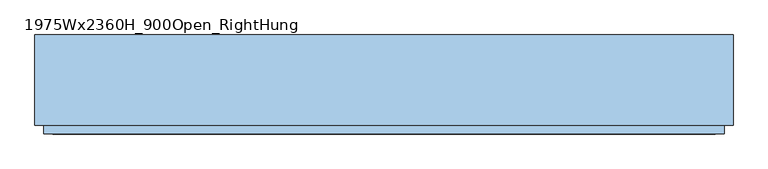
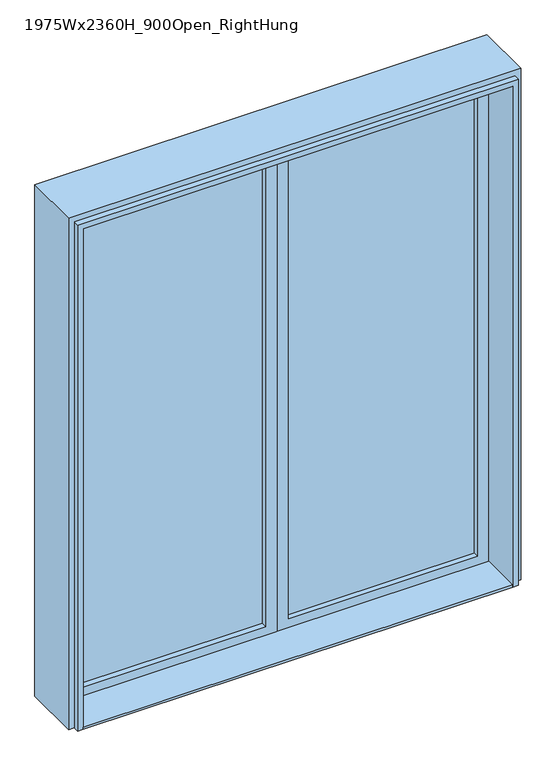
"""IFC4 building model written with IfcOpenShell, lengths in millimetres: window geometry, 1975Wx2360H_900Open_RightHung."""

from ifc_helpers import new_model, si_unit, frame, origin, origin_with_axes, place, context, project, spatial, polyline, outline, extrude, faceted_brep, source, transform, mapped, element, save


def window_1975wx2360h_900open_righthung_e9a4831a(model_context):
    return source(origin(), model_context, "Body", "SolidModel", [
        extrude(outline(polyline([(887.5, -67.0), (62.5, -67.0), (62.5, -49.0), (887.5, -49.0), (887.5, -67.0)])), frame((0.0, 0.0, 50.0), z_axis=(0.0, 0.0, 1.0), x_axis=(1.0, 0.0, 0.0)), (0.0, 0.0, 1.0), 2210.0),
        extrude(outline(polyline([(-37.5, -67.0), (-837.5, -67.0), (-837.5, -49.0), (-37.5, -49.0), (-37.5, -67.0)])), frame((0.0, 0.0, 50.0), z_axis=(0.0, 0.0, 1.0), x_axis=(1.0, 0.0, 0.0)), (0.0, 0.0, 1.0), 2160.0),
        extrude(outline(polyline([(2260.0, 12.5), (2260.0, -887.5), (0.0, -887.5), (0.0, 12.5), (2260.0, 12.5)]), holes=[polyline([(2210.0, -37.5), (50.0, -37.5), (50.0, -837.5), (2210.0, -837.5), (2210.0, -37.5)])]), frame((0.0, -92.0, 0.0), z_axis=(0.0, 1.0, 0.0), x_axis=(0.0, 0.0, 1.0)), (0.0, 0.0, 1.0), 100.0),
        extrude(outline(polyline([(937.5, -92.0), (937.5, -272.0), (-937.5, -272.0), (-937.5, -92.0), (937.5, -92.0)])), origin_with_axes(), (0.0, 0.0, 1.0), 10.0),
        faceted_brep([(962.5, -272.0, 2335.0), (962.5, -272.0, 0.0), (962.5, -247.0, 0.0), (962.5, -247.0, 2335.0), (-987.5, -247.0, 2360.0), (-987.5, -247.0, 0.0), (-962.5, -247.0, 0.0), (-962.5, -247.0, 2335.0), (987.5, -247.0, 0.0), (987.5, -247.0, 2360.0), (-937.5, -272.0, 0.0), (-962.5, -272.0, 0.0), (-987.5, 8.0, 0.0), (-937.5, 8.0, 0.0), (937.5, -272.0, 0.0), (937.5, 8.0, 0.0), (987.5, 8.0, 0.0), (-962.5, -272.0, 2335.0), (-937.5, -272.0, 2310.0), (937.5, -272.0, 2310.0), (987.5, 8.0, 2360.0), (-987.5, 8.0, 2360.0), (937.5, 8.0, 2310.0), (-937.5, 8.0, 2310.0)], [[[0, 1, 2, 3]], [[4, 5, 6, 7, 3, 2, 8, 9]], [[10, 11, 6, 5, 12, 13]], [[1, 14, 15, 16, 8, 2]], [[17, 11, 10, 18, 19, 14, 1, 0]], [[6, 11, 17, 7]], [[20, 9, 8, 16]], [[4, 21, 12, 5]], [[14, 19, 22, 15]], [[13, 23, 18, 10]], [[20, 16, 15, 22, 23, 13, 12, 21]], [[3, 7, 17, 0]], [[20, 21, 4, 9]], [[18, 23, 22, 19]]]),
        extrude(outline(polyline([(0.0, 12.5), (0.0, 937.5), (2310.0, 937.5), (2310.0, -937.5), (0.0, -937.5), (0.0, -887.5), (2260.0, -887.5), (2260.0, 12.5), (0.0, 12.5)]), holes=[polyline([(2260.0, 887.5), (50.0, 887.5), (50.0, 62.5), (2260.0, 62.5), (2260.0, 887.5)])]), frame((0.0, -92.0, 0.0), z_axis=(0.0, 1.0, 0.0), x_axis=(0.0, 0.0, 1.0)), (0.0, 0.0, 1.0), 100.0),
    ])


if __name__ == "__main__":
    model = new_model("IFC4")
    model_context = context("Model", 3, world=origin())
    ifc_project = project(units=[si_unit("LENGTHUNIT", "METRE", prefix="MILLI")], contexts=[model_context])
    site = spatial("IfcSite", under=ifc_project)
    building = spatial("IfcBuilding", under=site)
    placement = place(None, origin())
    window_1975wx2360h_900open_righthung_shape = window_1975wx2360h_900open_righthung_e9a4831a(model_context)
    element("IfcWindow", 1, ObjectType="1975Wx2360H_900Open_RightHung", at=placement, inside=building, context=model_context, shape_type="MappedRepresentation", body=[
        mapped(window_1975wx2360h_900open_righthung_shape, transform((0.0, 0.0, 0.0), x_axis=(1.0, 0.0, 0.0), y_axis=(0.0, 1.0, 0.0), z_axis=(0.0, 0.0, 1.0))),
    ])
    save(model, "model.ifc")
